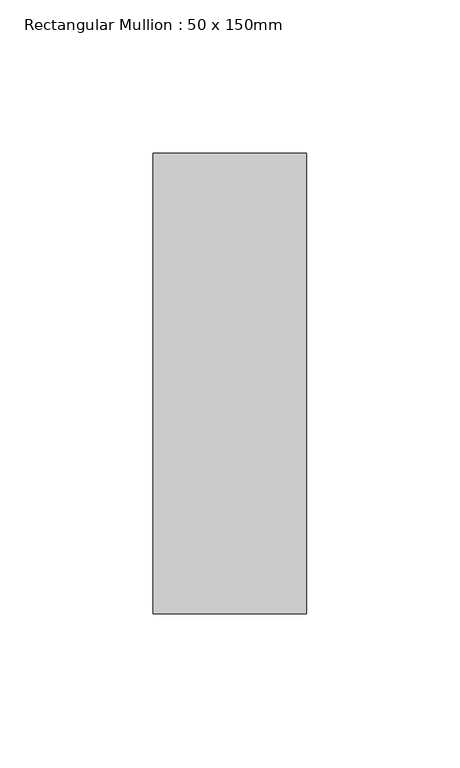
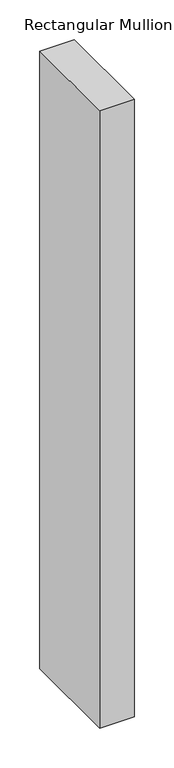
"""IFC4 building model written with IfcOpenShell, lengths in millimetres: member geometry, Rectangular Mullion : 50 x 150mm."""

from ifc_helpers import new_model, si_unit, frame, origin, place, context, project, spatial, polyline, outline, extrude, source, transform, mapped, element, save


def rectangular_mullion_50_x_150mm_68686b8b(model_context):
    return source(origin(), model_context, "Body", "SweptSolid", [
        extrude(outline(polyline([(25.0, 75.0), (25.0, -75.0), (-25.0, -75.0), (-25.0, 75.0), (25.0, 75.0)])), frame((0.0, 0.0, -946.3391099), z_axis=(0.0, 0.0, 1.0), x_axis=(1.0, 0.0, 0.0)), (0.0, 0.0, 1.0), 946.3391099),
    ])


if __name__ == "__main__":
    model = new_model("IFC4")
    model_context = context("Model", 3, world=origin())
    ifc_project = project(units=[si_unit("LENGTHUNIT", "METRE", prefix="MILLI")], contexts=[model_context])
    site = spatial("IfcSite", under=ifc_project)
    building = spatial("IfcBuilding", under=site)
    placement = place(None, origin())
    rectangular_mullion_50_x_150mm_shape = rectangular_mullion_50_x_150mm_68686b8b(model_context)
    element("IfcMember", 1, ObjectType="Rectangular Mullion : 50 x 150mm", at=placement, inside=building, context=model_context, shape_type="MappedRepresentation", body=[
        mapped(rectangular_mullion_50_x_150mm_shape, transform((0.0, 0.0, 0.0), x_axis=(1.0, 0.0, 0.0), y_axis=(0.0, 1.0, 0.0), z_axis=(0.0, 0.0, 1.0))),
    ])
    save(model, "model.ifc")
